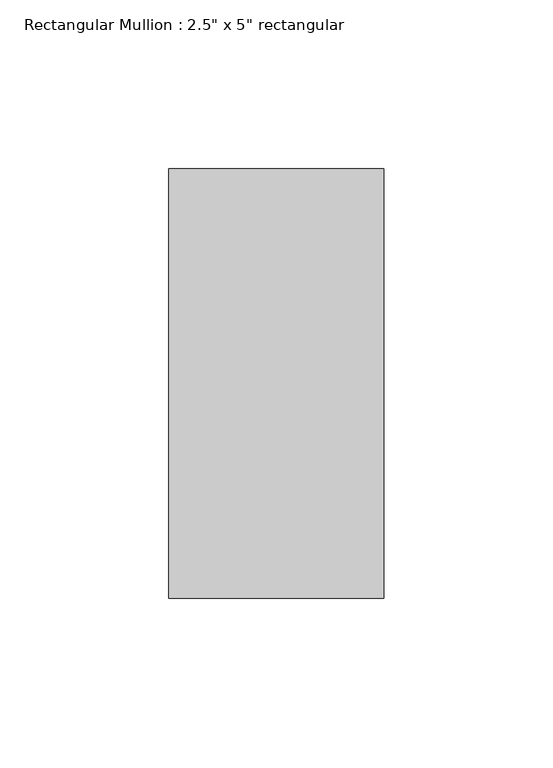
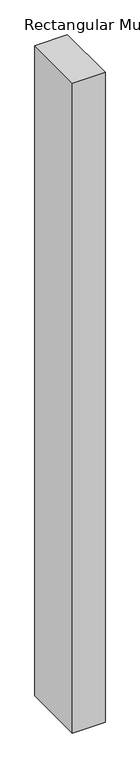
"""IFC4 building model written with IfcOpenShell, lengths in millimetres: member geometry."""

import ifcopenshell
import ifcopenshell.guid

model = None  # the IFC model being written
_history = None  # IfcOwnerHistory: only IFC2X3 demands one
_inside = {}  # id of a spatial element -> (the spatial element, [elements in it])
_under = {}  # id of a project, library or spatial element -> (it, [spatial elements below it])
_declared = {}  # id of a project -> (the project, [libraries it declares])
_typed = {}  # id of a type object -> (the type object, [elements of that type])
_made_of = {}  # id of a material, layer set ... -> (it, [elements and type objects made of it])


def new_model(schema):
    """Start an empty IFC model of exactly this schema.

    Asked for "IFC4X3", IfcOpenShell would pick the latest addendum, in which some entities
    have other attributes; the version numbers below select the first issue.
    IFC2X3 requires an IfcOwnerHistory on every rooted entity: one is made here for all.
    """
    global model, _history
    if schema == "IFC4X3":
        model = ifcopenshell.file(schema_version=(4, 3, 0, 0))
    else:
        model = ifcopenshell.file(schema=schema)
    _inside.clear()
    _under.clear()
    _declared.clear()
    _typed.clear()
    _made_of.clear()
    _history = None
    if model.schema == "IFC2X3":
        org = make("IfcOrganization", Name="unknown")
        user = make(
            "IfcPersonAndOrganization",
            ThePerson=make("IfcPerson", FamilyName="unknown"),
            TheOrganization=org,
        )
        app = make(
            "IfcApplication",
            ApplicationDeveloper=org,
            Version="unknown",
            ApplicationFullName="unknown",
            ApplicationIdentifier="unknown",
        )
        _history = make(
            "IfcOwnerHistory",
            OwningUser=user,
            OwningApplication=app,
            ChangeAction="ADDED",
            CreationDate=0,
        )
    return model


def make(cls, **values):
    """One entity of the class cls with the attributes given. An attribute that is None is left unset."""
    return model.create_entity(
        cls, **{name: value for name, value in values.items() if value is not None}
    )


def rooted(cls, **values):
    """An entity with a GlobalId (a new one), such as an element, a storey or a relation."""
    return make(cls, GlobalId=ifcopenshell.guid.new(), OwnerHistory=_history, **values)


def si_unit(unit_type, name, prefix=None):
    """IfcSIUnit, for example si_unit("LENGTHUNIT", "METRE", prefix="MILLI")."""
    return make("IfcSIUnit", UnitType=unit_type, Prefix=prefix, Name=name)


def assignment(units):
    """IfcUnitAssignment: the units of a project."""
    return None if units is None else make("IfcUnitAssignment", Units=units)


def point(xyz):
    """IfcCartesianPoint."""
    return None if xyz is None else make("IfcCartesianPoint", Coordinates=xyz)


def direction(xyz):
    """IfcDirection."""
    return None if xyz is None else make("IfcDirection", DirectionRatios=xyz)


def frame(location, z_axis=None, x_axis=None):
    """IfcAxis2Placement3D, a coordinate frame: its origin and axes. An axis left out is left unset."""
    return make(
        "IfcAxis2Placement3D",
        Location=point(location),
        Axis=direction(z_axis),
        RefDirection=direction(x_axis),
    )


def origin():
    """The frame at (0, 0, 0) with its axes left unset."""
    return frame((0.0, 0.0, 0.0))


def place(relative_to, where):
    """IfcLocalPlacement: puts the frame where relative to a parent placement (None: the world)."""
    return make(
        "IfcLocalPlacement", PlacementRelTo=relative_to, RelativePlacement=where
    )


def context(
    kind, dimensions, precision=None, world=None, true_north=None, identifier=None
):
    """IfcGeometricRepresentationContext, for example the 3D "Model" context."""
    return make(
        "IfcGeometricRepresentationContext",
        ContextIdentifier=identifier,
        ContextType=kind,
        CoordinateSpaceDimension=dimensions,
        Precision=precision,
        WorldCoordinateSystem=world,
        TrueNorth=true_north,
    )


def project(units=None, contexts=None):
    """IfcProject with its units and contexts."""
    return rooted(
        "IfcProject",
        Name="project",
        RepresentationContexts=contexts,
        UnitsInContext=assignment(units),
    )


def spatial(cls, under=None, at=None, **own):
    """A site, building, storey or space (cls), placed at a placement, below another one or the project."""
    s = rooted(cls, ObjectPlacement=at, **own)
    if under is not None:
        _under.setdefault(under.id(), (under, []))[1].append(s)
    return s


def polyline(points):
    """IfcPolyline through the points."""
    return make("IfcPolyline", Points=[point(p) for p in points])


def outline(outer, holes=None, kind="AREA"):
    """IfcArbitraryClosedProfileDef: a profile drawn as a closed curve; with holes, ...WithVoids."""
    if holes is None:
        return make("IfcArbitraryClosedProfileDef", ProfileType=kind, OuterCurve=outer)
    return make(
        "IfcArbitraryProfileDefWithVoids",
        ProfileType=kind,
        OuterCurve=outer,
        InnerCurves=holes,
    )


def extrude(swept, where, along, depth):
    """IfcExtrudedAreaSolid: the profile swept, set in the frame where, extruded along a direction by depth."""
    return make(
        "IfcExtrudedAreaSolid",
        SweptArea=swept,
        Position=where,
        ExtrudedDirection=direction(along),
        Depth=depth,
    )


def shape(context_of_items, identifier, shape_type, items):
    """IfcShapeRepresentation: the items that make up one representation, for example the "Body"."""
    return make(
        "IfcShapeRepresentation",
        ContextOfItems=context_of_items,
        RepresentationIdentifier=identifier,
        RepresentationType=shape_type,
        Items=items,
    )


def source(mapping_origin, context_of_items, identifier, shape_type, items):
    """IfcRepresentationMap: a shape defined once, which mapped items show again and again."""
    return make(
        "IfcRepresentationMap",
        MappingOrigin=mapping_origin,
        MappedRepresentation=shape(context_of_items, identifier, shape_type, items),
    )


def transform(
    local_origin,
    x_axis=None,
    y_axis=None,
    z_axis=None,
    scale=None,
    scale2=None,
    scale3=None,
    uniform=True,
):
    """IfcCartesianTransformationOperator3D, or its non-uniform kind. x_axis, y_axis, z_axis: its Axis1, 2, 3."""
    if uniform:
        return make(
            "IfcCartesianTransformationOperator3D",
            Axis1=direction(x_axis),
            Axis2=direction(y_axis),
            LocalOrigin=point(local_origin),
            Scale=scale,
            Axis3=direction(z_axis),
        )
    return make(
        "IfcCartesianTransformationOperator3DnonUniform",
        Axis1=direction(x_axis),
        Axis2=direction(y_axis),
        LocalOrigin=point(local_origin),
        Scale=scale,
        Axis3=direction(z_axis),
        Scale2=scale2,
        Scale3=scale3,
    )


def mapped(mapping_source, mapping_target):
    """IfcMappedItem: shows the shape of a source again, moved by a transform."""
    return make(
        "IfcMappedItem", MappingSource=mapping_source, MappingTarget=mapping_target
    )


def made_of(thing, what):
    """Note that an element or type object is made of a material, layer set ...; save() writes the relation."""
    if what is not None:
        _made_of.setdefault(what.id(), (what, []))[1].append(thing)
    return thing


def element(
    cls,
    number,
    at=None,
    inside=None,
    cuts=None,
    type_object=None,
    material=None,
    context=None,
    identifier="Body",
    shape_type=None,
    held_by="IfcProductDefinitionShape",
    body=None,
    shapes=None,
    **own,
):
    """One element of the class cls, such as IfcWall. Its Tag is "e" and its number.

    at: its placement. inside: the storey or other place that contains it. cuts: it is an
    opening in that element (IfcRelVoidsElement). A single representation is given by context,
    identifier, shape_type and body (its items); several are given by shapes. held_by: the class
    of the entity that holds the representations. save() writes the other relations.
    """
    e = rooted(cls, Tag="e%d" % number, ObjectPlacement=at, **own)
    if body is not None:
        shapes = [shape(context, identifier, shape_type, body)]
    if shapes is not None:
        e.Representation = make(held_by, Representations=shapes)
    if inside is not None:
        _inside.setdefault(inside.id(), (inside, []))[1].append(e)
    if cuts is not None:
        rooted(
            "IfcRelVoidsElement", RelatingBuildingElement=cuts, RelatedOpeningElement=e
        )
    if type_object is not None:
        _typed.setdefault(type_object.id(), (type_object, []))[1].append(e)
    return made_of(e, material)


def aggregate(whole, parts):
    """IfcRelAggregates: a whole, such as a stair, and the parts it consists of."""
    return rooted("IfcRelAggregates", RelatingObject=whole, RelatedObjects=parts)


def save(model, path):
    """Write the relations noted so far, then the file.

    IfcRelAggregates (storeys below a building ...), IfcRelContainedInSpatialStructure (elements
    in a storey), IfcRelDefinesByType, IfcRelAssociatesMaterial and IfcRelDeclares: one each for
    every whole, place, type object, material and project.
    """
    for whole, parts in _under.values():
        aggregate(whole, parts)
    for where, things in _inside.values():
        rooted(
            "IfcRelContainedInSpatialStructure",
            RelatedElements=things,
            RelatingStructure=where,
        )
    for kind, things in _typed.values():
        rooted("IfcRelDefinesByType", RelatedObjects=things, RelatingType=kind)
    for what, things in _made_of.values():
        rooted("IfcRelAssociatesMaterial", RelatedObjects=things, RelatingMaterial=what)
    for by, libraries in _declared.values():
        rooted("IfcRelDeclares", RelatingContext=by, RelatedDefinitions=libraries)
    model.write(path)


def member_055ad67b(model_context):
    return source(origin(), model_context, "Body", "SweptSolid", [
        extrude(outline(polyline([(31.75, 63.5), (31.75, -63.5), (-31.75, -63.5), (-31.75, 63.5), (31.75, 63.5)])), frame((0.0, 0.0, -1341.4374999), z_axis=(0.0, 0.0, 1.0), x_axis=(1.0, 0.0, 0.0)), (0.0, 0.0, 1.0), 1341.4374999),
    ])


if __name__ == "__main__":
    model = new_model("IFC4")
    model_context = context("Model", 3, world=origin())
    ifc_project = project(units=[si_unit("LENGTHUNIT", "METRE", prefix="MILLI")], contexts=[model_context])
    site = spatial("IfcSite", under=ifc_project)
    building = spatial("IfcBuilding", under=site)
    placement = place(None, origin())
    member_shape = member_055ad67b(model_context)
    element("IfcMember", 1, ObjectType="Rectangular Mullion : 2.5\" x 5\" rectangular", at=placement, inside=building, context=model_context, shape_type="MappedRepresentation", body=[
        mapped(member_shape, transform((0.0, 0.0, 0.0), x_axis=(1.0, 0.0, 0.0), y_axis=(0.0, 1.0, 0.0), z_axis=(0.0, 0.0, 1.0))),
    ])
    save(model, "model.ifc")
